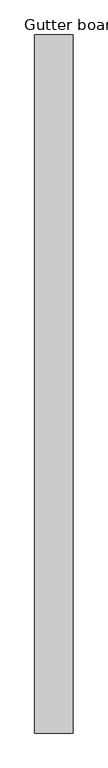
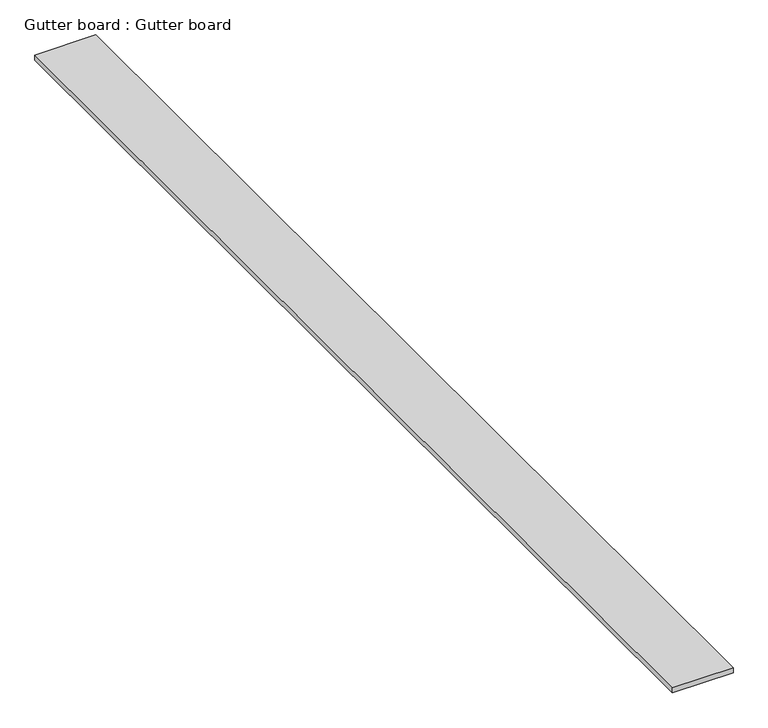
"""IFC4 building model written with IfcOpenShell, lengths in millimetres: proxy geometry, Gutter board : Gutter board."""

from ifc_helpers import new_model, si_unit, frame, origin, place, context, project, spatial, polyline, outline, extrude, source, transform, mapped, element, save


def gutter_board_gutter_board_8486a232(model_context):
    return source(origin(), model_context, "Body", "SweptSolid", [
        extrude(outline(polyline([(-1198.2922626, -4556.1655637), (-1368.2922626, -4556.1655637), (-1368.2922626, -1466.1655637), (-1198.2922626, -1466.1655637), (-1198.2922626, -4556.1655637)])), frame((0.0, 0.0, 3784.2452806), z_axis=(0.0, 0.0, 1.0), x_axis=(1.0, 0.0, 0.0)), (0.0, 0.0, 1.0), 15.0),
    ])


if __name__ == "__main__":
    model = new_model("IFC4")
    model_context = context("Model", 3, world=origin())
    ifc_project = project(units=[si_unit("LENGTHUNIT", "METRE", prefix="MILLI")], contexts=[model_context])
    site = spatial("IfcSite", under=ifc_project)
    building = spatial("IfcBuilding", under=site)
    placement = place(None, origin())
    gutter_board_gutter_board_shape = gutter_board_gutter_board_8486a232(model_context)
    element("IfcBuildingElementProxy", 1, Name="Gutter board : Gutter board", ObjectType="Gutter board : Gutter board", at=placement, inside=building, context=model_context, shape_type="MappedRepresentation", body=[
        mapped(gutter_board_gutter_board_shape, transform((0.0, 0.0, 0.0), x_axis=(1.0, 0.0, 0.0), y_axis=(0.0, 1.0, 0.0), z_axis=(0.0, 0.0, 1.0))),
    ])
    save(model, "model.ifc")
